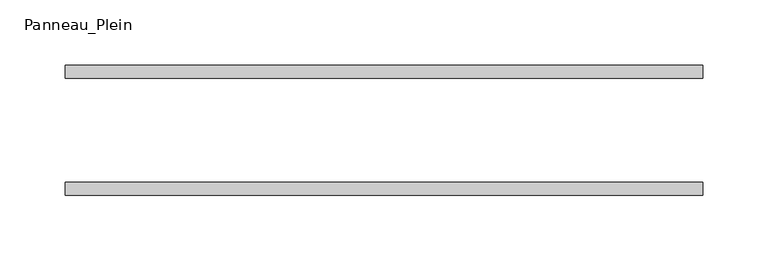
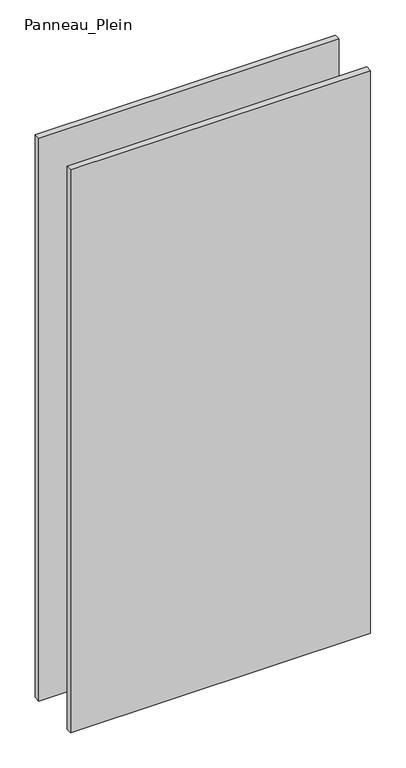
"""IFC4 building model written with IfcOpenShell, lengths in millimetres: plate geometry, Panneau_Plein."""

from ifc_helpers import new_model, si_unit, origin, origin_with_axes, place, context, project, spatial, polyline, outline, extrude, source, transform, mapped, element, save


def panneau_plein_6ce1ecf9(model_context):
    return source(origin(), model_context, "Body", "SweptSolid", [
        extrude(outline(polyline([(244.9999998, 50.0), (244.9999998, 40.0), (-244.9999998, 40.0), (-244.9999998, 50.0), (244.9999998, 50.0)])), origin_with_axes(), (0.0, 0.0, 1.0), 971.1805856),
        extrude(outline(polyline([(244.9999998, -40.0), (244.9999998, -50.0), (-244.9999998, -50.0), (-244.9999998, -40.0), (244.9999998, -40.0)])), origin_with_axes(), (0.0, 0.0, 1.0), 971.1805856),
    ])


if __name__ == "__main__":
    model = new_model("IFC4")
    model_context = context("Model", 3, world=origin())
    ifc_project = project(units=[si_unit("LENGTHUNIT", "METRE", prefix="MILLI")], contexts=[model_context])
    site = spatial("IfcSite", under=ifc_project)
    building = spatial("IfcBuilding", under=site)
    placement = place(None, origin())
    panneau_plein_shape = panneau_plein_6ce1ecf9(model_context)
    element("IfcPlate", 1, ObjectType="Panneau_Plein", at=placement, inside=building, context=model_context, shape_type="MappedRepresentation", body=[
        mapped(panneau_plein_shape, transform((0.0, 0.0, 0.0), x_axis=(1.0, 0.0, 0.0), y_axis=(0.0, 1.0, 0.0), z_axis=(0.0, 0.0, 1.0))),
    ])
    save(model, "model.ifc")
